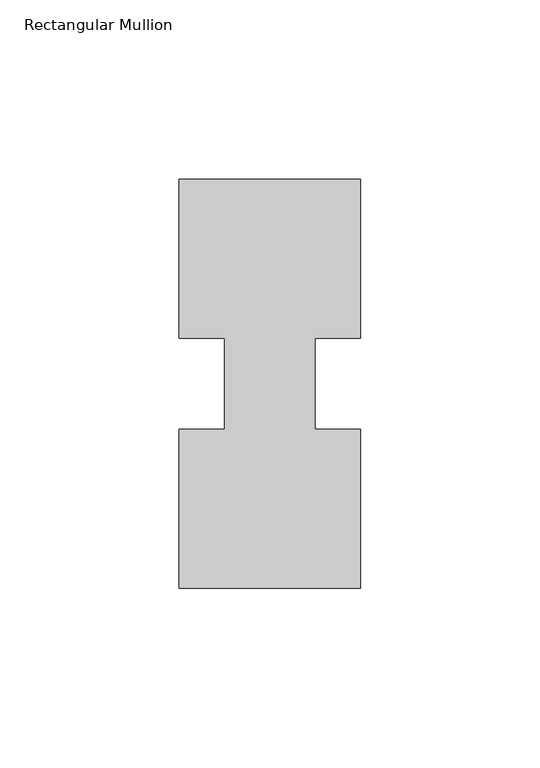
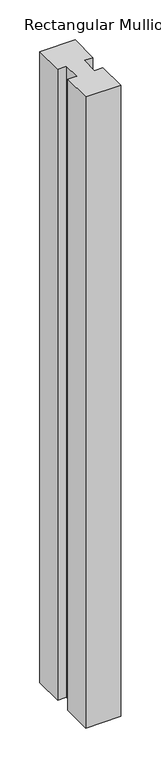
"""IFC4 building model written with IfcOpenShell, lengths in millimetres: member geometry, Rectangular Mullion."""

from ifc_helpers import new_model, si_unit, frame, origin, place, context, project, spatial, polyline, outline, extrude, source, transform, mapped, element, save


def rectangular_mullion_375587e8(model_context):
    return source(origin(), model_context, "Body", "SweptSolid", [
        extrude(outline(polyline([(29.7344027, 57.15), (29.7344027, 12.7), (17.0326322, 12.7), (17.0326322, -12.7), (29.7344027, -12.7), (29.7344027, -57.15), (-21.0655973, -57.15), (-21.0655973, -12.7), (-8.3655973, -12.7), (-8.3655973, 12.7), (-21.0655973, 12.7), (-21.0655973, 57.15), (29.7344027, 57.15)])), frame((0.0, 0.0, -965.2), z_axis=(0.0, 0.0, 1.0), x_axis=(1.0, 0.0, 0.0)), (0.0, 0.0, 1.0), 965.2),
    ])


if __name__ == "__main__":
    model = new_model("IFC4")
    model_context = context("Model", 3, world=origin())
    ifc_project = project(units=[si_unit("LENGTHUNIT", "METRE", prefix="MILLI")], contexts=[model_context])
    site = spatial("IfcSite", under=ifc_project)
    building = spatial("IfcBuilding", under=site)
    placement = place(None, origin())
    rectangular_mullion_shape = rectangular_mullion_375587e8(model_context)
    element("IfcMember", 1, ObjectType="Rectangular Mullion", at=placement, inside=building, context=model_context, shape_type="MappedRepresentation", body=[
        mapped(rectangular_mullion_shape, transform((0.0, 0.0, 0.0), x_axis=(1.0, 0.0, 0.0), y_axis=(0.0, 1.0, 0.0), z_axis=(0.0, 0.0, 1.0))),
    ])
    save(model, "model.ifc")
